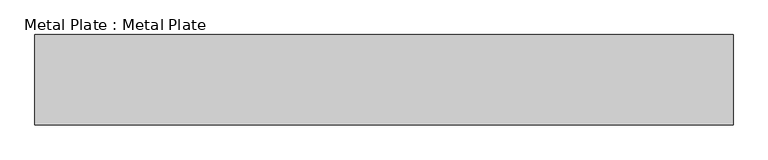
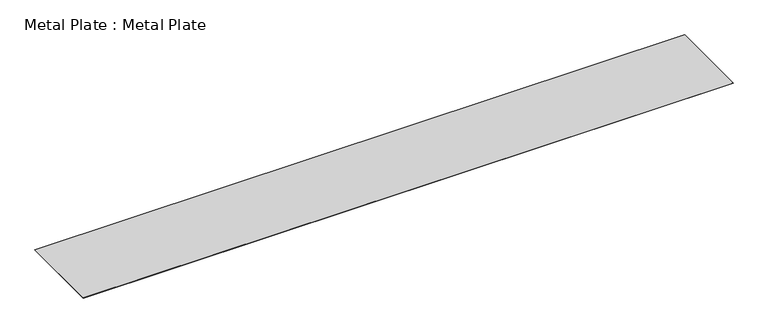
"""IFC4 building model written with IfcOpenShell, lengths in millimetres: proxy geometry, Metal Plate : Metal Plate."""

from ifc_helpers import new_model, si_unit, origin, origin_with_axes, place, context, project, spatial, polyline, outline, extrude, source, transform, mapped, element, save


def metal_plate_metal_plate_7cbd9313(model_context):
    return source(origin(), model_context, "Body", "SweptSolid", [
        extrude(outline(polyline([(-6172.1228393, -1597.0), (-6172.1228393, 0.0), (6172.1228393, 0.0), (6172.1228393, -1597.0), (-6172.1228393, -1597.0)])), origin_with_axes(), (0.0, 0.0, 1.0), 6.0),
    ])


if __name__ == "__main__":
    model = new_model("IFC4")
    model_context = context("Model", 3, world=origin())
    ifc_project = project(units=[si_unit("LENGTHUNIT", "METRE", prefix="MILLI")], contexts=[model_context])
    site = spatial("IfcSite", under=ifc_project)
    building = spatial("IfcBuilding", under=site)
    placement = place(None, origin())
    metal_plate_metal_plate_shape = metal_plate_metal_plate_7cbd9313(model_context)
    element("IfcBuildingElementProxy", 1, Name="Metal Plate : Metal Plate", ObjectType="Metal Plate : Metal Plate", at=placement, inside=building, context=model_context, shape_type="MappedRepresentation", body=[
        mapped(metal_plate_metal_plate_shape, transform((0.0, 0.0, 0.0), x_axis=(1.0, 0.0, 0.0), y_axis=(0.0, 1.0, 0.0), z_axis=(0.0, 0.0, 1.0))),
    ])
    save(model, "model.ifc")
